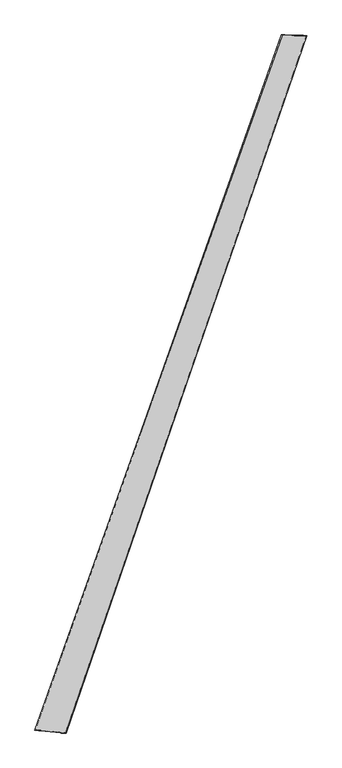
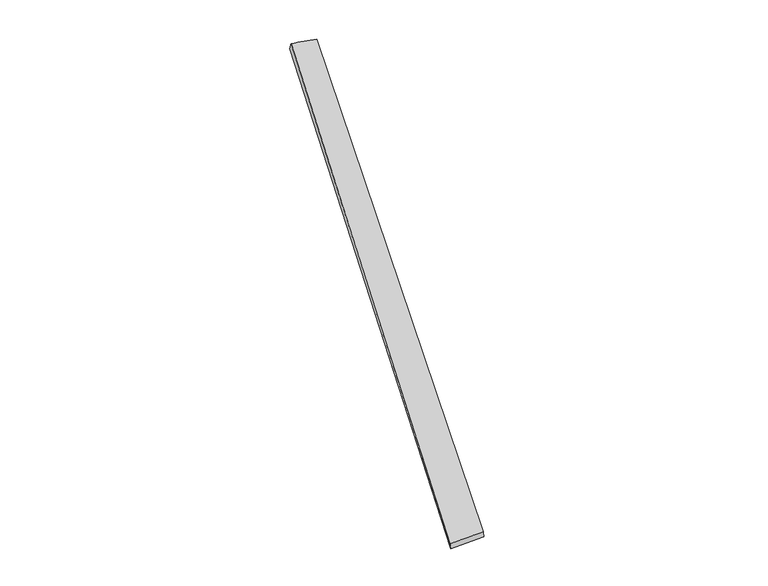
"""IFC4 building model written with IfcOpenShell, lengths in millimetres: proxy geometry."""

from ifc_helpers import new_model, si_unit, origin, place, context, project, spatial, source, transform, mapped, element, save
from ifc_brep_helpers import spline_surface, advanced_brep


def generic_models_bf6de17d(model_context):
    return source(origin(), model_context, "Body", "AdvancedBrep", [
        advanced_brep(
        [(-718.3139535, -1819.7286822, -9.277064), (-721.9987058, -1818.5784955, 20.4735607), (712.9299072, 2207.0238774, 40.6878604), (706.6680841, 2209.3888991, 11.4441219), (-543.8597817, -1834.3968876, 39.1410534), (855.9853882, 2204.8766871, 18.4330079), (-541.4788385, -1835.3714515, 9.251568), (853.1247079, 2205.7112347, -11.4186259)],
        [
            (0, 1),
            (1, 2),
            (2, 3),
            (3, 0),
            (1, 4),
            (4, 5),
            (5, 2),
            (4, 6),
            (6, 7),
            (7, 5),
            (6, 0),
            (3, 7),
        ],
        [
            spline_surface(1, 1, [[(-718.3139535, -1819.7286822, -9.277064), (706.6680841, 2209.3888991, 11.4441219)], [(-721.9987058, -1818.5784955, 20.4735607), (712.9299072, 2207.0238774, 40.6878604)]], [2, 2], [2, 2], [0.0, 1.0], [0.0, 1.0]),
            spline_surface(1, 1, [[(-721.9987058, -1818.5784955, 20.4735607), (712.9299072, 2207.0238774, 40.6878604)], [(-543.8597817, -1834.3968876, 39.1410534), (855.9853882, 2204.8766871, 18.4330079)]], [2, 2], [2, 2], [0.0, 1.0], [0.0, 1.0]),
            spline_surface(1, 1, [[(-543.8597817, -1834.3968876, 39.1410534), (855.9853882, 2204.8766871, 18.4330079)], [(-541.4788385, -1835.3714515, 9.251568), (853.1247079, 2205.7112347, -11.4186259)]], [2, 2], [2, 2], [0.0, 1.0], [0.0, 1.0]),
            spline_surface(1, 1, [[(-541.4788385, -1835.3714515, 9.251568), (853.1247079, 2205.7112347, -11.4186259)], [(-718.3139535, -1819.7286822, -9.277064), (706.6680841, 2209.3888991, 11.4441219)]], [2, 2], [2, 2], [0.0, 1.0], [0.0, 1.0]),
            spline_surface(1, 1, [[(712.9299072, 2207.0238774, 40.6878604), (706.6680841, 2209.3888991, 11.4441219)], [(855.9853882, 2204.8766871, 18.4330079), (853.1247079, 2205.7112347, -11.4186259)]], [2, 2], [2, 2], [0.0, 1.0], [0.0, 1.0]),
            spline_surface(1, 1, [[(-541.4788385, -1835.3714515, 9.251568), (-718.3139535, -1819.7286822, -9.277064)], [(-543.8597817, -1834.3968876, 39.1410534), (-721.9987058, -1818.5784955, 20.4735607)]], [2, 2], [2, 2], [0.0, 1.0], [0.0, 1.0]),
        ],
        [
            (0, [[1, 2, 3, 4]]),
            (1, [[5, 6, 7, -2]]),
            (2, [[8, 9, 10, -6]]),
            (3, [[11, -4, 12, -9]]),
            (4, [[-3, -7, -10, -12]]),
            (5, [[-11, -8, -5, -1]]),
        ],
    ),
    ])


if __name__ == "__main__":
    model = new_model("IFC4")
    model_context = context("Model", 3, world=origin())
    ifc_project = project(units=[si_unit("LENGTHUNIT", "METRE", prefix="MILLI")], contexts=[model_context])
    site = spatial("IfcSite", under=ifc_project)
    building = spatial("IfcBuilding", under=site)
    placement = place(None, origin())
    generic_models_shape = generic_models_bf6de17d(model_context)
    element("IfcBuildingElementProxy", 1, Name="Generic Models", at=placement, inside=building, context=model_context, shape_type="MappedRepresentation", body=[
        mapped(generic_models_shape, transform((0.0, 0.0, 0.0), x_axis=(1.0, 0.0, 0.0), y_axis=(0.0, 1.0, 0.0), z_axis=(0.0, 0.0, 1.0))),
    ])
    save(model, "model.ifc")
